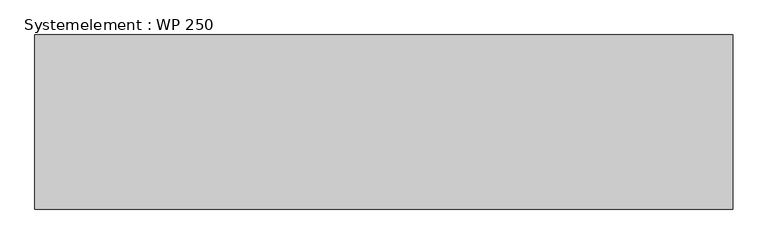
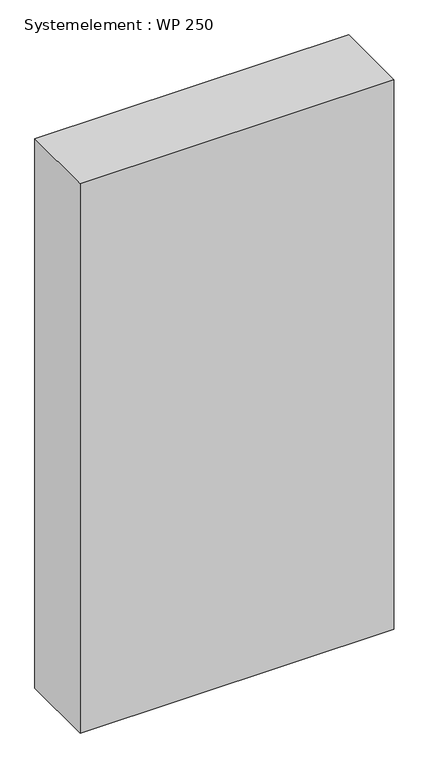
"""IFC4 building model written with IfcOpenShell, lengths in millimetres: plate geometry, Systemelement : WP 250."""

from ifc_helpers import new_model, si_unit, origin, origin_with_axes, place, context, project, spatial, polyline, outline, extrude, source, transform, mapped, element, save


def systemelement_wp_250_0fea09ae(model_context):
    return source(origin(), model_context, "Body", "SweptSolid", [
        extrude(outline(polyline([(500.0, -250.0), (-500.0, -250.0), (-500.0, 0.0), (500.0, 0.0), (500.0, -250.0)])), origin_with_axes(), (0.0, 0.0, 1.0), 1851.6147161),
    ])


if __name__ == "__main__":
    model = new_model("IFC4")
    model_context = context("Model", 3, world=origin())
    ifc_project = project(units=[si_unit("LENGTHUNIT", "METRE", prefix="MILLI")], contexts=[model_context])
    site = spatial("IfcSite", under=ifc_project)
    building = spatial("IfcBuilding", under=site)
    placement = place(None, origin())
    systemelement_wp_250_shape = systemelement_wp_250_0fea09ae(model_context)
    element("IfcPlate", 1, ObjectType="Systemelement : WP 250", at=placement, inside=building, context=model_context, shape_type="MappedRepresentation", body=[
        mapped(systemelement_wp_250_shape, transform((0.0, 0.0, 0.0), x_axis=(1.0, 0.0, 0.0), y_axis=(0.0, 1.0, 0.0), z_axis=(0.0, 0.0, 1.0))),
    ])
    save(model, "model.ifc")
